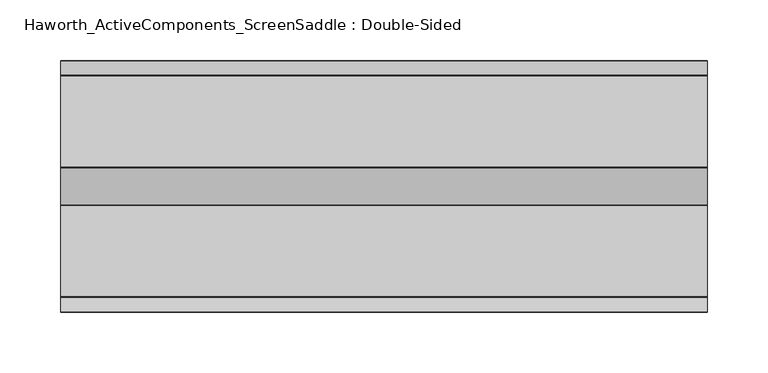
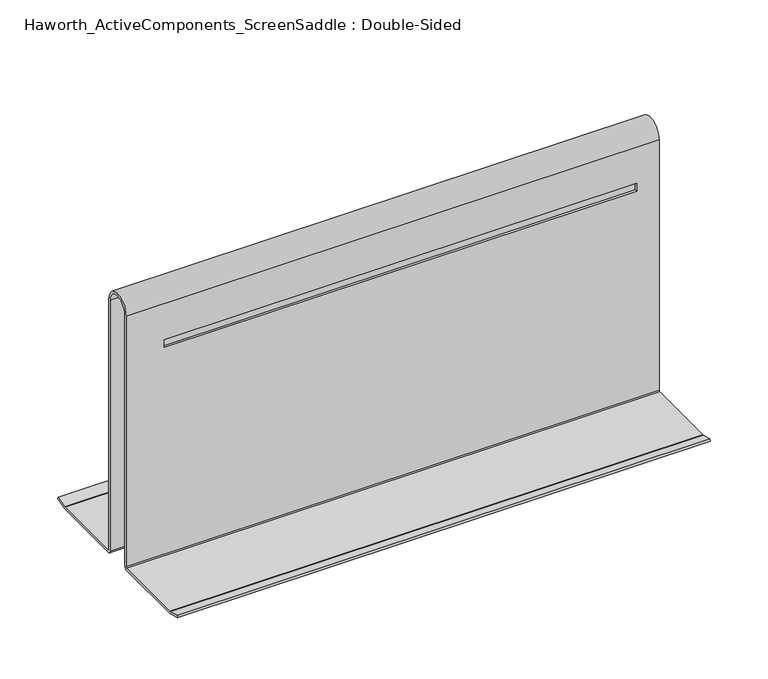
"""IFC4 building model written with IfcOpenShell, lengths in millimetres: furniture geometry, Haworth_ActiveComponents_ScreenSaddle : Double-Sided."""

from ifc_helpers import new_model, si_unit, frame, origin, place, context, project, spatial, polyline, circle_curve, source, transform, mapped, element, save
from ifc_brep_helpers import plane_surface, cylinder_surface, revolved_surface, advanced_brep


def haworth_activecomponents_screensaddle_double_sided_87aa0dee(model_context):
    return source(origin(), model_context, "Body", "AdvancedBrep", [
        advanced_brep(
        [(-134.9375, 66.5707628, 742.0951226), (-134.9375, 78.1434349, 738.9941695), (-134.9375, 78.9652015, 738.8859797), (-134.9375, 153.7589605, 738.8859797), (-134.9375, 154.751148, 739.8781672), (-134.9375, 154.751148, 1005.0780165), (-134.9375, 184.7231489, 1005.0780165), (-134.9375, 184.7231489, 739.8781672), (-134.9375, 185.7153364, 738.8859797), (-134.9375, 260.5090954, 738.8859797), (-134.9375, 261.330862, 738.9941695), (-134.9375, 272.9035341, 742.0951226), (-134.9375, 273.4951949, 739.8870452), (-134.9375, 261.6317938, 736.7081898), (-134.9375, 260.8100273, 736.6), (-134.9375, 185.6121488, 736.6), (-134.9375, 182.4371488, 739.775), (-134.9375, 182.4371488, 1005.0780165), (-134.9375, 157.0371481, 1005.0780165), (-134.9375, 157.0371481, 739.775), (-134.9375, 153.8621481, 736.6), (-134.9375, 78.6642696, 736.6), (-134.9375, 77.8425031, 736.7081898), (-134.9375, 65.979102, 739.8870452), (398.4625, 66.5707628, 742.0951226), (398.4625, 65.979102, 739.8870452), (398.4625, 77.8425031, 736.7081898), (398.4625, 78.6642696, 736.6), (398.4625, 153.8621481, 736.6), (398.4625, 157.0371481, 739.775), (398.4625, 157.0371481, 1005.0780165), (398.4625, 182.4371488, 1005.0780165), (398.4625, 182.4371488, 739.775), (398.4625, 185.6121488, 736.6), (398.4625, 260.8100273, 736.6), (398.4625, 261.6317938, 736.7081898), (398.4625, 273.4951949, 739.8870452), (398.4625, 272.9035341, 742.0951226), (398.4625, 261.330862, 738.9941695), (398.4625, 260.5090954, 738.8859797), (398.4625, 185.7153364, 738.8859797), (398.4625, 184.7231489, 739.8781672), (398.4625, 184.7231489, 1005.0780165), (398.4625, 154.751148, 1005.0780165), (398.4625, 154.751148, 739.8781672), (398.4625, 153.7589605, 738.8859797), (398.4625, 78.9652015, 738.8859797), (398.4625, 78.1434349, 738.9941695), (-96.8374909, 154.751148, 967.0414574), (375.980132, 154.751148, 967.0414574), (375.980132, 154.751148, 958.7865107), (-96.8374909, 154.751148, 958.7865107), (375.980132, 184.7231489, 967.0414574), (-96.8374909, 184.7231489, 967.0414574), (-96.8374909, 184.7231489, 958.7865107), (375.980132, 184.7231489, 958.7865107), (-96.8374909, 182.4371488, 967.0414574), (375.980132, 182.4371488, 967.0414574), (375.980132, 182.4371488, 958.7865107), (-96.8374909, 182.4371488, 958.7865107), (375.980132, 157.0371481, 967.0414574), (-96.8374909, 157.0371481, 967.0414574), (-96.8374909, 157.0371481, 958.7865107), (375.980132, 157.0371481, 958.7865107)],
        [
            (0, 1),
            (1, 2, circle_curve(frame((-134.9375, 78.9652015, 742.0609797), z_axis=(1.0, 0.0, 0.0), x_axis=(0.0, 1.0, 0.0)), 3.175)),
            (2, 3),
            (3, 4, circle_curve(frame((-134.9375, 153.7589605, 739.8781672), z_axis=(1.0, 0.0, 0.0), x_axis=(0.0, 1.0, 0.0)), 0.9921875)),
            (4, 5),
            (5, 6, circle_curve(frame((-134.9375, 169.7371484, 1005.0780165), z_axis=(-1.0, 0.0, 0.0), x_axis=(0.0, 1.0, 0.0)), 14.9860005)),
            (6, 7),
            (7, 8, circle_curve(frame((-134.9375, 185.7153364, 739.8781672), z_axis=(1.0, 0.0, 0.0), x_axis=(0.0, 1.0, 0.0)), 0.9921875)),
            (8, 9),
            (9, 10, circle_curve(frame((-134.9375, 260.5090954, 742.0609797), z_axis=(1.0, 0.0, 0.0), x_axis=(0.0, 1.0, 0.0)), 3.175)),
            (10, 11),
            (11, 12),
            (12, 13),
            (13, 14, circle_curve(frame((-134.9375, 260.8100273, 739.775), z_axis=(-1.0, 0.0, 0.0), x_axis=(0.0, 1.0, 0.0)), 3.175)),
            (14, 15),
            (15, 16, circle_curve(frame((-134.9375, 185.6121488, 739.775), z_axis=(-1.0, 0.0, 0.0), x_axis=(0.0, 1.0, 0.0)), 3.175)),
            (16, 17),
            (17, 18, circle_curve(frame((-134.9375, 169.7371484, 1005.0780165), z_axis=(1.0, 0.0, 0.0), x_axis=(0.0, 1.0, 0.0)), 12.7000004)),
            (18, 19),
            (19, 20, circle_curve(frame((-134.9375, 153.8621481, 739.775), z_axis=(-1.0, 0.0, 0.0), x_axis=(0.0, 1.0, 0.0)), 3.175)),
            (20, 21),
            (21, 22, circle_curve(frame((-134.9375, 78.6642696, 739.775), z_axis=(-1.0, 0.0, 0.0), x_axis=(0.0, 1.0, 0.0)), 3.175)),
            (22, 23),
            (23, 0),
            (24, 25),
            (25, 26),
            (26, 27, circle_curve(frame((398.4625, 78.6642696, 739.775), z_axis=(1.0, 0.0, 0.0), x_axis=(0.0, 1.0, 0.0)), 3.175)),
            (27, 28),
            (28, 29, circle_curve(frame((398.4625, 153.8621481, 739.775), z_axis=(1.0, 0.0, 0.0), x_axis=(0.0, 1.0, 0.0)), 3.175)),
            (29, 30),
            (30, 31, circle_curve(frame((398.4625, 169.7371484, 1005.0780165), z_axis=(-1.0, 0.0, 0.0), x_axis=(0.0, 1.0, 0.0)), 12.7000004)),
            (31, 32),
            (32, 33, circle_curve(frame((398.4625, 185.6121488, 739.775), z_axis=(1.0, 0.0, 0.0), x_axis=(0.0, 1.0, 0.0)), 3.175)),
            (33, 34),
            (34, 35, circle_curve(frame((398.4625, 260.8100273, 739.775), z_axis=(1.0, 0.0, 0.0), x_axis=(0.0, 1.0, 0.0)), 3.175)),
            (35, 36),
            (36, 37),
            (37, 38),
            (38, 39, circle_curve(frame((398.4625, 260.5090954, 742.0609797), z_axis=(-1.0, 0.0, 0.0), x_axis=(0.0, 1.0, 0.0)), 3.175)),
            (39, 40),
            (40, 41, circle_curve(frame((398.4625, 185.7153364, 739.8781672), z_axis=(-1.0, 0.0, 0.0), x_axis=(0.0, 1.0, 0.0)), 0.9921875)),
            (41, 42),
            (42, 43, circle_curve(frame((398.4625, 169.7371484, 1005.0780165), z_axis=(1.0, 0.0, 0.0), x_axis=(0.0, 1.0, 0.0)), 14.9860005)),
            (43, 44),
            (44, 45, circle_curve(frame((398.4625, 153.7589605, 739.8781672), z_axis=(-1.0, 0.0, 0.0), x_axis=(0.0, 1.0, 0.0)), 0.9921875)),
            (45, 46),
            (46, 47, circle_curve(frame((398.4625, 78.9652015, 742.0609797), z_axis=(-1.0, 0.0, 0.0), x_axis=(0.0, 1.0, 0.0)), 3.175)),
            (47, 24),
            (0, 24),
            (47, 1),
            (46, 2),
            (45, 3),
            (44, 4),
            (43, 5),
            (48, 49),
            (49, 50),
            (50, 51),
            (51, 48),
            (42, 6),
            (41, 7),
            (52, 53),
            (53, 54),
            (54, 55),
            (55, 52),
            (40, 8),
            (39, 9),
            (38, 10),
            (37, 11),
            (36, 12),
            (35, 13),
            (34, 14),
            (33, 15),
            (32, 16),
            (31, 17),
            (56, 57),
            (57, 58),
            (58, 59),
            (59, 56),
            (30, 18),
            (29, 19),
            (60, 61),
            (61, 62),
            (62, 63),
            (63, 60),
            (28, 20),
            (27, 21),
            (26, 22),
            (25, 23),
            (52, 57),
            (56, 53),
            (60, 49),
            (48, 61),
            (59, 54),
            (51, 62),
            (58, 55),
            (50, 63),
        ],
        [
            plane_surface(frame((-134.9375, 169.7371484, 736.6), z_axis=(-1.0, 0.0, 0.0), x_axis=(0.0, 0.0, 1.0))),
            plane_surface(frame((398.4625, 169.7371484, 736.6), z_axis=(1.0, 0.0, 0.0), x_axis=(0.0, 0.0, 1.0))),
            plane_surface(frame((-134.9375, 66.5707628, 742.0951226), z_axis=(0.0, 0.25882410835551967, 0.965924469580293), x_axis=(1.0, 0.0, 0.0))),
            revolved_surface(polyline([(398.4625, 82.1402015, 742.0609797), (-134.9375, 82.1402015, 742.0609797)]), (-134.9375, 78.9652015, 742.0609797), (1.0, 0.0, 0.0)),
            plane_surface(frame((-134.9375, 78.9652015, 738.8859797), z_axis=(0.0, 0.0, 1.0), x_axis=(1.0, 0.0, 0.0))),
            revolved_surface(polyline([(398.4625, 154.751148, 739.8781672), (-134.9375, 154.751148, 739.8781672)]), (-134.9375, 153.7589605, 739.8781672), (1.0, 0.0, 0.0)),
            plane_surface(frame((-134.9375, 154.751148, 739.8781672), z_axis=(0.0, -1.0, 0.0), x_axis=(1.0, 0.0, 0.0))),
            cylinder_surface(frame((-134.9375, 169.7371484, 1005.0780165), z_axis=(-1.0, 0.0, 0.0), x_axis=(0.0, 1.0, 0.0)), 14.9860005),
            plane_surface(frame((-134.9375, 184.7231489, 1005.0780165), z_axis=(0.0, 1.0, 0.0), x_axis=(1.0, 0.0, 0.0))),
            revolved_surface(polyline([(398.4625, 186.7075239, 739.8781672), (-134.9375, 186.7075239, 739.8781672)]), (-134.9375, 185.7153364, 739.8781672), (1.0, 0.0, 0.0)),
            plane_surface(frame((-134.9375, 185.7153364, 738.8859797), z_axis=(0.0, 0.0, 1.0), x_axis=(1.0, 0.0, 0.0))),
            revolved_surface(polyline([(398.4625, 263.6840954, 742.0609797), (-134.9375, 263.6840954, 742.0609797)]), (-134.9375, 260.5090954, 742.0609797), (1.0, 0.0, 0.0)),
            plane_surface(frame((-134.9375, 261.330862, 738.9941695), z_axis=(0.0, -0.25882410835551967, 0.965924469580293), x_axis=(1.0, 0.0, 0.0))),
            plane_surface(frame((-134.9375, 272.9035341, 742.0951226), z_axis=(0.0, 0.9659249219665191, 0.25882242005663675), x_axis=(1.0, 0.0, 0.0))),
            plane_surface(frame((-134.9375, 273.4951949, 739.8870452), z_axis=(0.0, 0.25882410835551967, -0.965924469580293), x_axis=(1.0, 0.0, 0.0))),
            cylinder_surface(frame((-134.9375, 260.8100273, 739.775), z_axis=(-1.0, 0.0, 0.0), x_axis=(0.0, 1.0, 0.0)), 3.175),
            plane_surface(frame((-134.9375, 260.8100273, 736.6), z_axis=(0.0, 0.0, -1.0), x_axis=(1.0, 0.0, 0.0))),
            cylinder_surface(frame((-134.9375, 185.6121488, 739.775), z_axis=(-1.0, 0.0, 0.0), x_axis=(0.0, 1.0, 0.0)), 3.175),
            plane_surface(frame((-134.9375, 182.4371488, 739.775), z_axis=(0.0, -1.0, 0.0), x_axis=(1.0, 0.0, 0.0))),
            revolved_surface(polyline([(398.4625, 182.4371488, 1005.0780165), (-134.9375, 182.4371488, 1005.0780165)]), (-134.9375, 169.7371484, 1005.0780165), (1.0, 0.0, 0.0)),
            plane_surface(frame((-134.9375, 157.0371481, 1005.0780165), z_axis=(0.0, 1.0, 0.0), x_axis=(1.0, 0.0, 0.0))),
            cylinder_surface(frame((-134.9375, 153.8621481, 739.775), z_axis=(-1.0, 0.0, 0.0), x_axis=(0.0, 1.0, 0.0)), 3.175),
            plane_surface(frame((-134.9375, 153.8621481, 736.6), z_axis=(0.0, 0.0, -1.0), x_axis=(1.0, 0.0, 0.0))),
            cylinder_surface(frame((-134.9375, 78.6642696, 739.775), z_axis=(-1.0, 0.0, 0.0), x_axis=(0.0, 1.0, 0.0)), 3.175),
            plane_surface(frame((-134.9375, 77.8425031, 736.7081898), z_axis=(0.0, -0.25882410835551967, -0.965924469580293), x_axis=(1.0, 0.0, 0.0))),
            plane_surface(frame((-134.9375, 65.979102, 739.8870452), z_axis=(0.0, -0.9659249219665191, 0.25882242005663675), x_axis=(1.0, 0.0, 0.0))),
            plane_surface(frame((375.980132, 150.6871484, 967.0414574), z_axis=(0.0, 0.0, -1.0), x_axis=(0.0, 1.0, 0.0))),
            plane_surface(frame((-96.8374909, 150.6871484, 967.0414574), z_axis=(1.0, 0.0, 0.0), x_axis=(0.0, 1.0, 0.0))),
            plane_surface(frame((-96.8374909, 150.6871484, 958.7865107), z_axis=(0.0, 0.0, 1.0), x_axis=(0.0, 1.0, 0.0))),
            plane_surface(frame((375.980132, 150.6871484, 958.7865107), z_axis=(-1.0, 0.0, 0.0), x_axis=(0.0, 1.0, 0.0))),
        ],
        [
            (0, [[1, 2, 3, 4, 5, 6, 7, 8, 9, 10, 11, 12, 13, 14, 15, 16, 17, 18, 19, 20, 21, 22, 23, 24]]),
            (1, [[25, 26, 27, 28, 29, 30, 31, 32, 33, 34, 35, 36, 37, 38, 39, 40, 41, 42, 43, 44, 45, 46, 47, 48]]),
            (2, [[-1, 49, -48, 50]]),
            (3, [[-2, -50, -47, 51]]),
            (4, [[-3, -51, -46, 52]]),
            (5, [[-4, -52, -45, 53]]),
            (6, [[-5, -53, -44, 54], [55, 56, 57, 58]]),
            (7, [[-6, -54, -43, 59]]),
            (8, [[-7, -59, -42, 60], [61, 62, 63, 64]]),
            (9, [[-8, -60, -41, 65]]),
            (10, [[-9, -65, -40, 66]]),
            (11, [[-10, -66, -39, 67]]),
            (12, [[-11, -67, -38, 68]]),
            (13, [[-12, -68, -37, 69]]),
            (14, [[-13, -69, -36, 70]]),
            (15, [[-14, -70, -35, 71]]),
            (16, [[-15, -71, -34, 72]]),
            (17, [[-16, -72, -33, 73]]),
            (18, [[-17, -73, -32, 74], [75, 76, 77, 78]]),
            (19, [[-18, -74, -31, 79]]),
            (20, [[-19, -79, -30, 80], [81, 82, 83, 84]]),
            (21, [[-20, -80, -29, 85]]),
            (22, [[-21, -85, -28, 86]]),
            (23, [[-22, -86, -27, 87]]),
            (24, [[-23, -87, -26, 88]]),
            (25, [[-24, -88, -25, -49]]),
            (26, [[89, -75, 90, -61]]),
            (26, [[91, -55, 92, -81]]),
            (27, [[-90, -78, 93, -62]]),
            (27, [[-92, -58, 94, -82]]),
            (28, [[-93, -77, 95, -63]]),
            (28, [[-94, -57, 96, -83]]),
            (29, [[-89, -64, -95, -76]]),
            (29, [[-91, -84, -96, -56]]),
        ],
    ),
    ])


if __name__ == "__main__":
    model = new_model("IFC4")
    model_context = context("Model", 3, world=origin())
    ifc_project = project(units=[si_unit("LENGTHUNIT", "METRE", prefix="MILLI")], contexts=[model_context])
    site = spatial("IfcSite", under=ifc_project)
    building = spatial("IfcBuilding", under=site)
    placement = place(None, origin())
    haworth_activecomponents_screensaddle_double_sided_shape = haworth_activecomponents_screensaddle_double_sided_87aa0dee(model_context)
    element("IfcFurniture", 1, ObjectType="Haworth_ActiveComponents_ScreenSaddle : Double-Sided", at=placement, inside=building, context=model_context, shape_type="MappedRepresentation", body=[
        mapped(haworth_activecomponents_screensaddle_double_sided_shape, transform((0.0, 0.0, 0.0), x_axis=(1.0, 0.0, 0.0), y_axis=(0.0, 1.0, 0.0), z_axis=(0.0, 0.0, 1.0))),
    ])
    save(model, "model.ifc")
